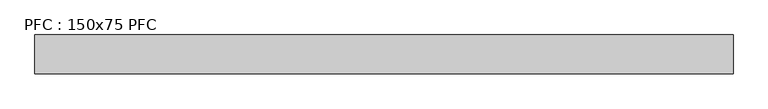
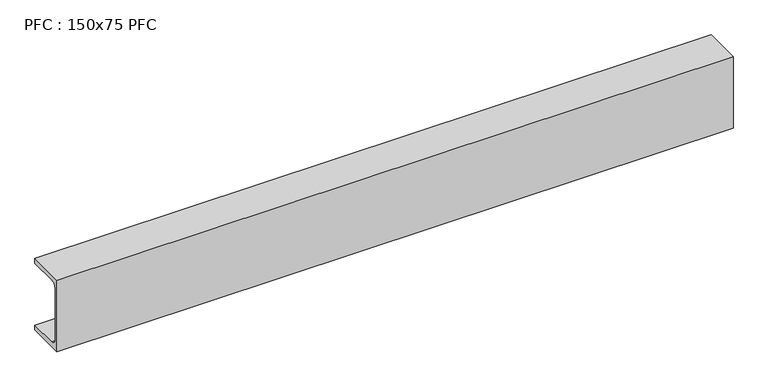
"""IFC4 building model written with IfcOpenShell, lengths in millimetres: beam geometry, PFC : 150x75 PFC."""

from ifc_helpers import new_model, si_unit, point, frame, frame_2d, origin, place, context, project, spatial, polyline, circle_curve, trimmed, segment, composite_curve, outline, extrude, source, transform, mapped, element, save


def pfc_150x75_pfc_6adf62d1(model_context):
    return source(origin(), model_context, "Body", "SweptSolid", [
        extrude(outline(composite_curve([segment(polyline([(0.0, 150.0), (75.0, 150.0), (75.0, 140.0), (17.5, 140.0)]), True, "CONTINUOUS"), segment(trimmed(circle_curve(frame_2d((17.5, 128.0)), 12.0), [point((17.5, 140.0))], [point((5.5, 128.0))], True, "CARTESIAN"), True, "CONTINUOUS"), segment(polyline([(5.5, 128.0), (5.5, 22.0)]), True, "CONTINUOUS"), segment(trimmed(circle_curve(frame_2d((17.5, 22.0)), 12.0), [point((5.5, 22.0))], [point((17.5, 10.0))], True, "CARTESIAN"), True, "CONTINUOUS"), segment(polyline([(17.5, 10.0), (75.0, 10.0), (75.0, 0.0), (0.0, 0.0), (0.0, 150.0)]), True, "CONTINUOUS")], self_intersect=False)), frame((0.0, 0.0, 0.0), z_axis=(1.0, 0.0, 0.0), x_axis=(0.0, 1.0, 0.0)), (0.0, 0.0, 1.0), 1340.0),
    ])


if __name__ == "__main__":
    model = new_model("IFC4")
    model_context = context("Model", 3, world=origin())
    ifc_project = project(units=[si_unit("LENGTHUNIT", "METRE", prefix="MILLI")], contexts=[model_context])
    site = spatial("IfcSite", under=ifc_project)
    building = spatial("IfcBuilding", under=site)
    placement = place(None, origin())
    pfc_150x75_pfc_shape = pfc_150x75_pfc_6adf62d1(model_context)
    element("IfcBeam", 1, ObjectType="PFC : 150x75 PFC", at=placement, inside=building, context=model_context, shape_type="MappedRepresentation", body=[
        mapped(pfc_150x75_pfc_shape, transform((0.0, 0.0, 0.0), x_axis=(1.0, 0.0, 0.0), y_axis=(0.0, 1.0, 0.0), z_axis=(0.0, 0.0, 1.0))),
    ])
    save(model, "model.ifc")
